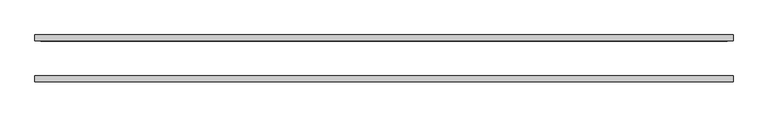
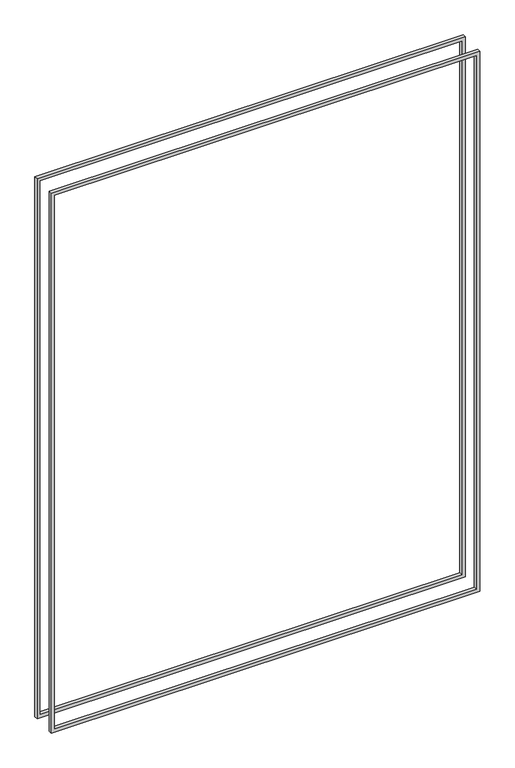
"""IFC4 building model written with IfcOpenShell, lengths in millimetres: proxy geometry."""

from ifc_helpers import new_model, si_unit, frame, origin, place, context, project, spatial, polyline, outline, extrude, source, transform, mapped, element, save


def generic_models_67e16706(model_context):
    return source(origin(), model_context, "Body", "SweptSolid", [
        extrude(outline(polyline([(2392.3625, -649.2875), (26.9875, -649.2875), (26.9875, 1125.5375), (2392.3625, 1125.5375), (2392.3625, -649.2875)]), holes=[polyline([(2378.075, 1111.25), (41.275, 1111.25), (41.275, -635.0), (2378.075, -635.0), (2378.075, 1111.25)])]), frame((0.0, -59.53125, 0.0), z_axis=(0.0, 1.0, 0.0), x_axis=(0.0, 0.0, 1.0)), (0.0, 0.0, 1.0), 15.08125),
        extrude(outline(polyline([(26.9875, 1125.5375), (2392.3625, 1125.5375), (2392.3625, -649.2875), (26.9875, -649.2875), (26.9875, 1125.5375)]), holes=[polyline([(41.275, -635.0), (2378.075, -635.0), (2378.075, 1111.25), (41.275, 1111.25), (41.275, -635.0)])]), frame((0.0, 44.45, 0.0), z_axis=(0.0, 1.0, 0.0), x_axis=(0.0, 0.0, 1.0)), (0.0, 0.0, 1.0), 15.08125),
    ])


if __name__ == "__main__":
    model = new_model("IFC4")
    model_context = context("Model", 3, world=origin())
    ifc_project = project(units=[si_unit("LENGTHUNIT", "METRE", prefix="MILLI")], contexts=[model_context])
    site = spatial("IfcSite", under=ifc_project)
    building = spatial("IfcBuilding", under=site)
    placement = place(None, origin())
    generic_models_shape = generic_models_67e16706(model_context)
    element("IfcBuildingElementProxy", 1, Name="Generic Models", at=placement, inside=building, context=model_context, shape_type="MappedRepresentation", body=[
        mapped(generic_models_shape, transform((0.0, 0.0, 0.0), x_axis=(1.0, 0.0, 0.0), y_axis=(0.0, 1.0, 0.0), z_axis=(0.0, 0.0, 1.0))),
    ])
    save(model, "model.ifc")
